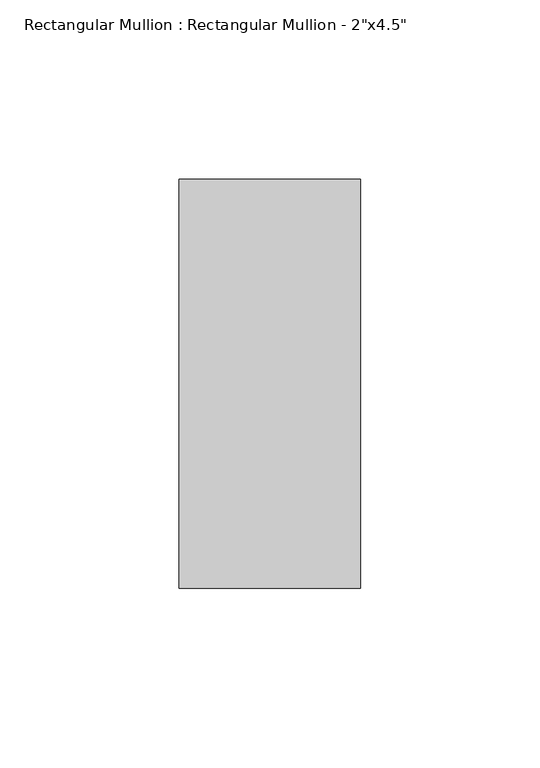
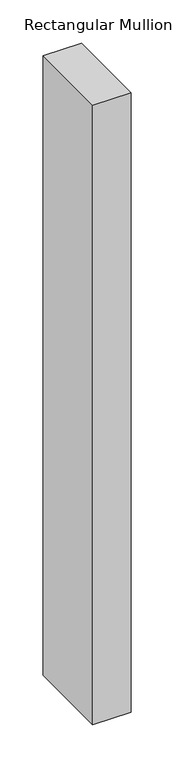
"""IFC4 building model written with IfcOpenShell, lengths in millimetres: member geometry."""

import ifcopenshell
import ifcopenshell.guid

model = None  # the IFC model being written
_history = None  # IfcOwnerHistory: only IFC2X3 demands one
_inside = {}  # id of a spatial element -> (the spatial element, [elements in it])
_under = {}  # id of a project, library or spatial element -> (it, [spatial elements below it])
_declared = {}  # id of a project -> (the project, [libraries it declares])
_typed = {}  # id of a type object -> (the type object, [elements of that type])
_made_of = {}  # id of a material, layer set ... -> (it, [elements and type objects made of it])


def new_model(schema):
    """Start an empty IFC model of exactly this schema.

    Asked for "IFC4X3", IfcOpenShell would pick the latest addendum, in which some entities
    have other attributes; the version numbers below select the first issue.
    IFC2X3 requires an IfcOwnerHistory on every rooted entity: one is made here for all.
    """
    global model, _history
    if schema == "IFC4X3":
        model = ifcopenshell.file(schema_version=(4, 3, 0, 0))
    else:
        model = ifcopenshell.file(schema=schema)
    _inside.clear()
    _under.clear()
    _declared.clear()
    _typed.clear()
    _made_of.clear()
    _history = None
    if model.schema == "IFC2X3":
        org = make("IfcOrganization", Name="unknown")
        user = make(
            "IfcPersonAndOrganization",
            ThePerson=make("IfcPerson", FamilyName="unknown"),
            TheOrganization=org,
        )
        app = make(
            "IfcApplication",
            ApplicationDeveloper=org,
            Version="unknown",
            ApplicationFullName="unknown",
            ApplicationIdentifier="unknown",
        )
        _history = make(
            "IfcOwnerHistory",
            OwningUser=user,
            OwningApplication=app,
            ChangeAction="ADDED",
            CreationDate=0,
        )
    return model


def make(cls, **values):
    """One entity of the class cls with the attributes given. An attribute that is None is left unset."""
    return model.create_entity(
        cls, **{name: value for name, value in values.items() if value is not None}
    )


def rooted(cls, **values):
    """An entity with a GlobalId (a new one), such as an element, a storey or a relation."""
    return make(cls, GlobalId=ifcopenshell.guid.new(), OwnerHistory=_history, **values)


def si_unit(unit_type, name, prefix=None):
    """IfcSIUnit, for example si_unit("LENGTHUNIT", "METRE", prefix="MILLI")."""
    return make("IfcSIUnit", UnitType=unit_type, Prefix=prefix, Name=name)


def assignment(units):
    """IfcUnitAssignment: the units of a project."""
    return None if units is None else make("IfcUnitAssignment", Units=units)


def point(xyz):
    """IfcCartesianPoint."""
    return None if xyz is None else make("IfcCartesianPoint", Coordinates=xyz)


def direction(xyz):
    """IfcDirection."""
    return None if xyz is None else make("IfcDirection", DirectionRatios=xyz)


def frame(location, z_axis=None, x_axis=None):
    """IfcAxis2Placement3D, a coordinate frame: its origin and axes. An axis left out is left unset."""
    return make(
        "IfcAxis2Placement3D",
        Location=point(location),
        Axis=direction(z_axis),
        RefDirection=direction(x_axis),
    )


def origin():
    """The frame at (0, 0, 0) with its axes left unset."""
    return frame((0.0, 0.0, 0.0))


def place(relative_to, where):
    """IfcLocalPlacement: puts the frame where relative to a parent placement (None: the world)."""
    return make(
        "IfcLocalPlacement", PlacementRelTo=relative_to, RelativePlacement=where
    )


def context(
    kind, dimensions, precision=None, world=None, true_north=None, identifier=None
):
    """IfcGeometricRepresentationContext, for example the 3D "Model" context."""
    return make(
        "IfcGeometricRepresentationContext",
        ContextIdentifier=identifier,
        ContextType=kind,
        CoordinateSpaceDimension=dimensions,
        Precision=precision,
        WorldCoordinateSystem=world,
        TrueNorth=true_north,
    )


def project(units=None, contexts=None):
    """IfcProject with its units and contexts."""
    return rooted(
        "IfcProject",
        Name="project",
        RepresentationContexts=contexts,
        UnitsInContext=assignment(units),
    )


def spatial(cls, under=None, at=None, **own):
    """A site, building, storey or space (cls), placed at a placement, below another one or the project."""
    s = rooted(cls, ObjectPlacement=at, **own)
    if under is not None:
        _under.setdefault(under.id(), (under, []))[1].append(s)
    return s


def polyline(points):
    """IfcPolyline through the points."""
    return make("IfcPolyline", Points=[point(p) for p in points])


def outline(outer, holes=None, kind="AREA"):
    """IfcArbitraryClosedProfileDef: a profile drawn as a closed curve; with holes, ...WithVoids."""
    if holes is None:
        return make("IfcArbitraryClosedProfileDef", ProfileType=kind, OuterCurve=outer)
    return make(
        "IfcArbitraryProfileDefWithVoids",
        ProfileType=kind,
        OuterCurve=outer,
        InnerCurves=holes,
    )


def extrude(swept, where, along, depth):
    """IfcExtrudedAreaSolid: the profile swept, set in the frame where, extruded along a direction by depth."""
    return make(
        "IfcExtrudedAreaSolid",
        SweptArea=swept,
        Position=where,
        ExtrudedDirection=direction(along),
        Depth=depth,
    )


def shape(context_of_items, identifier, shape_type, items):
    """IfcShapeRepresentation: the items that make up one representation, for example the "Body"."""
    return make(
        "IfcShapeRepresentation",
        ContextOfItems=context_of_items,
        RepresentationIdentifier=identifier,
        RepresentationType=shape_type,
        Items=items,
    )


def source(mapping_origin, context_of_items, identifier, shape_type, items):
    """IfcRepresentationMap: a shape defined once, which mapped items show again and again."""
    return make(
        "IfcRepresentationMap",
        MappingOrigin=mapping_origin,
        MappedRepresentation=shape(context_of_items, identifier, shape_type, items),
    )


def transform(
    local_origin,
    x_axis=None,
    y_axis=None,
    z_axis=None,
    scale=None,
    scale2=None,
    scale3=None,
    uniform=True,
):
    """IfcCartesianTransformationOperator3D, or its non-uniform kind. x_axis, y_axis, z_axis: its Axis1, 2, 3."""
    if uniform:
        return make(
            "IfcCartesianTransformationOperator3D",
            Axis1=direction(x_axis),
            Axis2=direction(y_axis),
            LocalOrigin=point(local_origin),
            Scale=scale,
            Axis3=direction(z_axis),
        )
    return make(
        "IfcCartesianTransformationOperator3DnonUniform",
        Axis1=direction(x_axis),
        Axis2=direction(y_axis),
        LocalOrigin=point(local_origin),
        Scale=scale,
        Axis3=direction(z_axis),
        Scale2=scale2,
        Scale3=scale3,
    )


def mapped(mapping_source, mapping_target):
    """IfcMappedItem: shows the shape of a source again, moved by a transform."""
    return make(
        "IfcMappedItem", MappingSource=mapping_source, MappingTarget=mapping_target
    )


def made_of(thing, what):
    """Note that an element or type object is made of a material, layer set ...; save() writes the relation."""
    if what is not None:
        _made_of.setdefault(what.id(), (what, []))[1].append(thing)
    return thing


def element(
    cls,
    number,
    at=None,
    inside=None,
    cuts=None,
    type_object=None,
    material=None,
    context=None,
    identifier="Body",
    shape_type=None,
    held_by="IfcProductDefinitionShape",
    body=None,
    shapes=None,
    **own,
):
    """One element of the class cls, such as IfcWall. Its Tag is "e" and its number.

    at: its placement. inside: the storey or other place that contains it. cuts: it is an
    opening in that element (IfcRelVoidsElement). A single representation is given by context,
    identifier, shape_type and body (its items); several are given by shapes. held_by: the class
    of the entity that holds the representations. save() writes the other relations.
    """
    e = rooted(cls, Tag="e%d" % number, ObjectPlacement=at, **own)
    if body is not None:
        shapes = [shape(context, identifier, shape_type, body)]
    if shapes is not None:
        e.Representation = make(held_by, Representations=shapes)
    if inside is not None:
        _inside.setdefault(inside.id(), (inside, []))[1].append(e)
    if cuts is not None:
        rooted(
            "IfcRelVoidsElement", RelatingBuildingElement=cuts, RelatedOpeningElement=e
        )
    if type_object is not None:
        _typed.setdefault(type_object.id(), (type_object, []))[1].append(e)
    return made_of(e, material)


def aggregate(whole, parts):
    """IfcRelAggregates: a whole, such as a stair, and the parts it consists of."""
    return rooted("IfcRelAggregates", RelatingObject=whole, RelatedObjects=parts)


def save(model, path):
    """Write the relations noted so far, then the file.

    IfcRelAggregates (storeys below a building ...), IfcRelContainedInSpatialStructure (elements
    in a storey), IfcRelDefinesByType, IfcRelAssociatesMaterial and IfcRelDeclares: one each for
    every whole, place, type object, material and project.
    """
    for whole, parts in _under.values():
        aggregate(whole, parts)
    for where, things in _inside.values():
        rooted(
            "IfcRelContainedInSpatialStructure",
            RelatedElements=things,
            RelatingStructure=where,
        )
    for kind, things in _typed.values():
        rooted("IfcRelDefinesByType", RelatedObjects=things, RelatingType=kind)
    for what, things in _made_of.values():
        rooted("IfcRelAssociatesMaterial", RelatedObjects=things, RelatingMaterial=what)
    for by, libraries in _declared.values():
        rooted("IfcRelDeclares", RelatingContext=by, RelatedDefinitions=libraries)
    model.write(path)


def member_5640895a(model_context):
    return source(origin(), model_context, "Body", "SweptSolid", [
        extrude(outline(polyline([(0.0, 57.15), (0.0, -57.15), (-50.8, -57.15), (-50.8, 57.15), (0.0, 57.15)])), frame((0.0, 0.0, -872.0666667), z_axis=(0.0, 0.0, 1.0), x_axis=(1.0, 0.0, 0.0)), (0.0, 0.0, 1.0), 872.0666667),
    ])


if __name__ == "__main__":
    model = new_model("IFC4")
    model_context = context("Model", 3, world=origin())
    ifc_project = project(units=[si_unit("LENGTHUNIT", "METRE", prefix="MILLI")], contexts=[model_context])
    site = spatial("IfcSite", under=ifc_project)
    building = spatial("IfcBuilding", under=site)
    placement = place(None, origin())
    member_shape = member_5640895a(model_context)
    element("IfcMember", 1, ObjectType="Rectangular Mullion : Rectangular Mullion - 2\"x4.5\"", at=placement, inside=building, context=model_context, shape_type="MappedRepresentation", body=[
        mapped(member_shape, transform((0.0, 0.0, 0.0), x_axis=(1.0, 0.0, 0.0), y_axis=(0.0, 1.0, 0.0), z_axis=(0.0, 0.0, 1.0))),
    ])
    save(model, "model.ifc")
